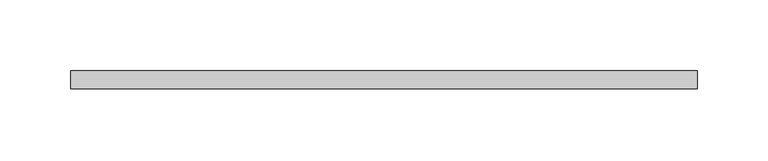
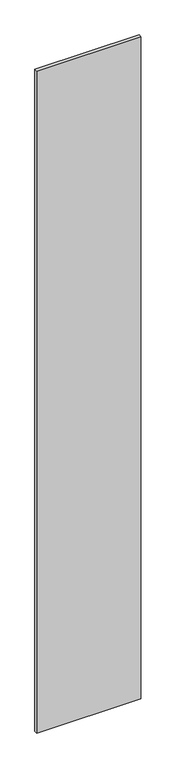
"""IFC4 building model written with IfcOpenShell, lengths in millimetres: plate geometry."""

import ifcopenshell
import ifcopenshell.guid

model = None  # the IFC model being written
_history = None  # IfcOwnerHistory: only IFC2X3 demands one
_inside = {}  # id of a spatial element -> (the spatial element, [elements in it])
_under = {}  # id of a project, library or spatial element -> (it, [spatial elements below it])
_declared = {}  # id of a project -> (the project, [libraries it declares])
_typed = {}  # id of a type object -> (the type object, [elements of that type])
_made_of = {}  # id of a material, layer set ... -> (it, [elements and type objects made of it])


def new_model(schema):
    """Start an empty IFC model of exactly this schema.

    Asked for "IFC4X3", IfcOpenShell would pick the latest addendum, in which some entities
    have other attributes; the version numbers below select the first issue.
    IFC2X3 requires an IfcOwnerHistory on every rooted entity: one is made here for all.
    """
    global model, _history
    if schema == "IFC4X3":
        model = ifcopenshell.file(schema_version=(4, 3, 0, 0))
    else:
        model = ifcopenshell.file(schema=schema)
    _inside.clear()
    _under.clear()
    _declared.clear()
    _typed.clear()
    _made_of.clear()
    _history = None
    if model.schema == "IFC2X3":
        org = make("IfcOrganization", Name="unknown")
        user = make(
            "IfcPersonAndOrganization",
            ThePerson=make("IfcPerson", FamilyName="unknown"),
            TheOrganization=org,
        )
        app = make(
            "IfcApplication",
            ApplicationDeveloper=org,
            Version="unknown",
            ApplicationFullName="unknown",
            ApplicationIdentifier="unknown",
        )
        _history = make(
            "IfcOwnerHistory",
            OwningUser=user,
            OwningApplication=app,
            ChangeAction="ADDED",
            CreationDate=0,
        )
    return model


def make(cls, **values):
    """One entity of the class cls with the attributes given. An attribute that is None is left unset."""
    return model.create_entity(
        cls, **{name: value for name, value in values.items() if value is not None}
    )


def rooted(cls, **values):
    """An entity with a GlobalId (a new one), such as an element, a storey or a relation."""
    return make(cls, GlobalId=ifcopenshell.guid.new(), OwnerHistory=_history, **values)


def si_unit(unit_type, name, prefix=None):
    """IfcSIUnit, for example si_unit("LENGTHUNIT", "METRE", prefix="MILLI")."""
    return make("IfcSIUnit", UnitType=unit_type, Prefix=prefix, Name=name)


def assignment(units):
    """IfcUnitAssignment: the units of a project."""
    return None if units is None else make("IfcUnitAssignment", Units=units)


def point(xyz):
    """IfcCartesianPoint."""
    return None if xyz is None else make("IfcCartesianPoint", Coordinates=xyz)


def direction(xyz):
    """IfcDirection."""
    return None if xyz is None else make("IfcDirection", DirectionRatios=xyz)


def frame(location, z_axis=None, x_axis=None):
    """IfcAxis2Placement3D, a coordinate frame: its origin and axes. An axis left out is left unset."""
    return make(
        "IfcAxis2Placement3D",
        Location=point(location),
        Axis=direction(z_axis),
        RefDirection=direction(x_axis),
    )


def origin():
    """The frame at (0, 0, 0) with its axes left unset."""
    return frame((0.0, 0.0, 0.0))


def origin_with_axes():
    """The frame at (0, 0, 0) with the z axis (0, 0, 1) and the x axis (1, 0, 0) written out."""
    return frame((0.0, 0.0, 0.0), z_axis=(0.0, 0.0, 1.0), x_axis=(1.0, 0.0, 0.0))


def place(relative_to, where):
    """IfcLocalPlacement: puts the frame where relative to a parent placement (None: the world)."""
    return make(
        "IfcLocalPlacement", PlacementRelTo=relative_to, RelativePlacement=where
    )


def context(
    kind, dimensions, precision=None, world=None, true_north=None, identifier=None
):
    """IfcGeometricRepresentationContext, for example the 3D "Model" context."""
    return make(
        "IfcGeometricRepresentationContext",
        ContextIdentifier=identifier,
        ContextType=kind,
        CoordinateSpaceDimension=dimensions,
        Precision=precision,
        WorldCoordinateSystem=world,
        TrueNorth=true_north,
    )


def project(units=None, contexts=None):
    """IfcProject with its units and contexts."""
    return rooted(
        "IfcProject",
        Name="project",
        RepresentationContexts=contexts,
        UnitsInContext=assignment(units),
    )


def spatial(cls, under=None, at=None, **own):
    """A site, building, storey or space (cls), placed at a placement, below another one or the project."""
    s = rooted(cls, ObjectPlacement=at, **own)
    if under is not None:
        _under.setdefault(under.id(), (under, []))[1].append(s)
    return s


def polyline(points):
    """IfcPolyline through the points."""
    return make("IfcPolyline", Points=[point(p) for p in points])


def outline(outer, holes=None, kind="AREA"):
    """IfcArbitraryClosedProfileDef: a profile drawn as a closed curve; with holes, ...WithVoids."""
    if holes is None:
        return make("IfcArbitraryClosedProfileDef", ProfileType=kind, OuterCurve=outer)
    return make(
        "IfcArbitraryProfileDefWithVoids",
        ProfileType=kind,
        OuterCurve=outer,
        InnerCurves=holes,
    )


def extrude(swept, where, along, depth):
    """IfcExtrudedAreaSolid: the profile swept, set in the frame where, extruded along a direction by depth."""
    return make(
        "IfcExtrudedAreaSolid",
        SweptArea=swept,
        Position=where,
        ExtrudedDirection=direction(along),
        Depth=depth,
    )


def shape(context_of_items, identifier, shape_type, items):
    """IfcShapeRepresentation: the items that make up one representation, for example the "Body"."""
    return make(
        "IfcShapeRepresentation",
        ContextOfItems=context_of_items,
        RepresentationIdentifier=identifier,
        RepresentationType=shape_type,
        Items=items,
    )


def source(mapping_origin, context_of_items, identifier, shape_type, items):
    """IfcRepresentationMap: a shape defined once, which mapped items show again and again."""
    return make(
        "IfcRepresentationMap",
        MappingOrigin=mapping_origin,
        MappedRepresentation=shape(context_of_items, identifier, shape_type, items),
    )


def transform(
    local_origin,
    x_axis=None,
    y_axis=None,
    z_axis=None,
    scale=None,
    scale2=None,
    scale3=None,
    uniform=True,
):
    """IfcCartesianTransformationOperator3D, or its non-uniform kind. x_axis, y_axis, z_axis: its Axis1, 2, 3."""
    if uniform:
        return make(
            "IfcCartesianTransformationOperator3D",
            Axis1=direction(x_axis),
            Axis2=direction(y_axis),
            LocalOrigin=point(local_origin),
            Scale=scale,
            Axis3=direction(z_axis),
        )
    return make(
        "IfcCartesianTransformationOperator3DnonUniform",
        Axis1=direction(x_axis),
        Axis2=direction(y_axis),
        LocalOrigin=point(local_origin),
        Scale=scale,
        Axis3=direction(z_axis),
        Scale2=scale2,
        Scale3=scale3,
    )


def mapped(mapping_source, mapping_target):
    """IfcMappedItem: shows the shape of a source again, moved by a transform."""
    return make(
        "IfcMappedItem", MappingSource=mapping_source, MappingTarget=mapping_target
    )


def made_of(thing, what):
    """Note that an element or type object is made of a material, layer set ...; save() writes the relation."""
    if what is not None:
        _made_of.setdefault(what.id(), (what, []))[1].append(thing)
    return thing


def element(
    cls,
    number,
    at=None,
    inside=None,
    cuts=None,
    type_object=None,
    material=None,
    context=None,
    identifier="Body",
    shape_type=None,
    held_by="IfcProductDefinitionShape",
    body=None,
    shapes=None,
    **own,
):
    """One element of the class cls, such as IfcWall. Its Tag is "e" and its number.

    at: its placement. inside: the storey or other place that contains it. cuts: it is an
    opening in that element (IfcRelVoidsElement). A single representation is given by context,
    identifier, shape_type and body (its items); several are given by shapes. held_by: the class
    of the entity that holds the representations. save() writes the other relations.
    """
    e = rooted(cls, Tag="e%d" % number, ObjectPlacement=at, **own)
    if body is not None:
        shapes = [shape(context, identifier, shape_type, body)]
    if shapes is not None:
        e.Representation = make(held_by, Representations=shapes)
    if inside is not None:
        _inside.setdefault(inside.id(), (inside, []))[1].append(e)
    if cuts is not None:
        rooted(
            "IfcRelVoidsElement", RelatingBuildingElement=cuts, RelatedOpeningElement=e
        )
    if type_object is not None:
        _typed.setdefault(type_object.id(), (type_object, []))[1].append(e)
    return made_of(e, material)


def aggregate(whole, parts):
    """IfcRelAggregates: a whole, such as a stair, and the parts it consists of."""
    return rooted("IfcRelAggregates", RelatingObject=whole, RelatedObjects=parts)


def save(model, path):
    """Write the relations noted so far, then the file.

    IfcRelAggregates (storeys below a building ...), IfcRelContainedInSpatialStructure (elements
    in a storey), IfcRelDefinesByType, IfcRelAssociatesMaterial and IfcRelDeclares: one each for
    every whole, place, type object, material and project.
    """
    for whole, parts in _under.values():
        aggregate(whole, parts)
    for where, things in _inside.values():
        rooted(
            "IfcRelContainedInSpatialStructure",
            RelatedElements=things,
            RelatingStructure=where,
        )
    for kind, things in _typed.values():
        rooted("IfcRelDefinesByType", RelatedObjects=things, RelatingType=kind)
    for what, things in _made_of.values():
        rooted("IfcRelAssociatesMaterial", RelatedObjects=things, RelatingMaterial=what)
    for by, libraries in _declared.values():
        rooted("IfcRelDeclares", RelatingContext=by, RelatedDefinitions=libraries)
    model.write(path)


def plate_287d43b2(model_context):
    return source(origin(), model_context, "Body", "SweptSolid", [
        extrude(outline(polyline([(220.6625, -26.9875), (-220.6625, -26.9875), (-220.6625, -14.2875), (220.6625, -14.2875), (220.6625, -26.9875)])), origin_with_axes(), (0.0, 0.0, 1.0), 2965.45),
    ])


if __name__ == "__main__":
    model = new_model("IFC4")
    model_context = context("Model", 3, world=origin())
    ifc_project = project(units=[si_unit("LENGTHUNIT", "METRE", prefix="MILLI")], contexts=[model_context])
    site = spatial("IfcSite", under=ifc_project)
    building = spatial("IfcBuilding", under=site)
    placement = place(None, origin())
    plate_shape = plate_287d43b2(model_context)
    element("IfcPlate", 1, at=placement, inside=building, context=model_context, shape_type="MappedRepresentation", body=[
        mapped(plate_shape, transform((0.0, 0.0, 0.0), x_axis=(1.0, 0.0, 0.0), y_axis=(0.0, 1.0, 0.0), z_axis=(0.0, 0.0, 1.0))),
    ])
    save(model, "model.ifc")
